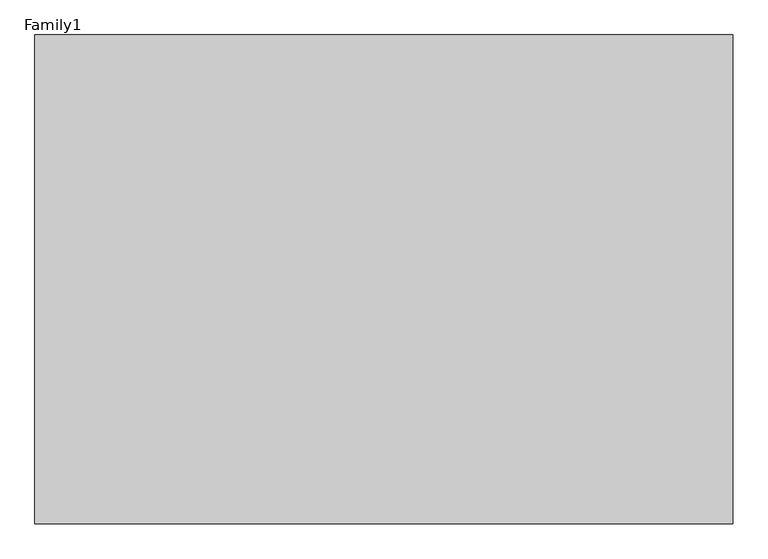
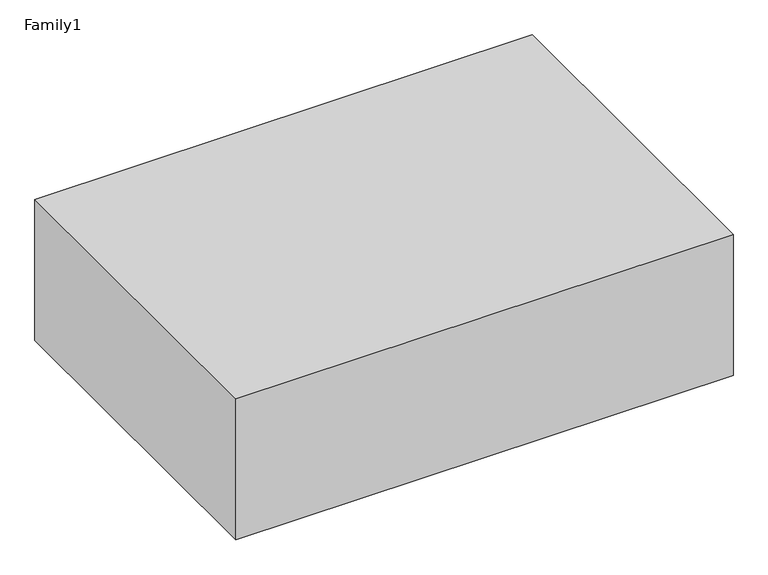
"""IFC4 building model written with IfcOpenShell, lengths in millimetres: proxy geometry, Family1."""

from ifc_helpers import new_model, si_unit, frame, origin, place, context, project, spatial, polyline, outline, extrude, source, transform, mapped, element, save


def family1_f6097ddd(model_context):
    return source(origin(), model_context, "Body", "SweptSolid", [
        extrude(outline(polyline([(1000.0, 0.0), (0.0, 0.0), (0.0, 700.0), (1000.0, 700.0), (1000.0, 0.0)])), frame((0.0, 0.0, 31500.0), z_axis=(0.0, 0.0, 1.0), x_axis=(1.0, 0.0, 0.0)), (0.0, 0.0, 1.0), 300.0),
    ])


if __name__ == "__main__":
    model = new_model("IFC4")
    model_context = context("Model", 3, world=origin())
    ifc_project = project(units=[si_unit("LENGTHUNIT", "METRE", prefix="MILLI")], contexts=[model_context])
    site = spatial("IfcSite", under=ifc_project)
    building = spatial("IfcBuilding", under=site)
    placement = place(None, origin())
    family1_shape = family1_f6097ddd(model_context)
    element("IfcBuildingElementProxy", 1, Name="Family1", ObjectType="Family1", at=placement, inside=building, context=model_context, shape_type="MappedRepresentation", body=[
        mapped(family1_shape, transform((0.0, 0.0, 0.0), x_axis=(1.0, 0.0, 0.0), y_axis=(0.0, 1.0, 0.0), z_axis=(0.0, 0.0, 1.0))),
    ])
    save(model, "model.ifc")
